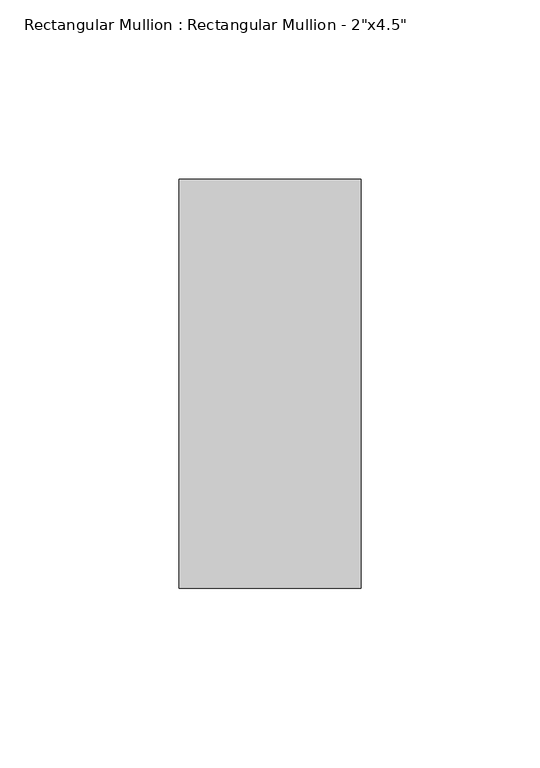
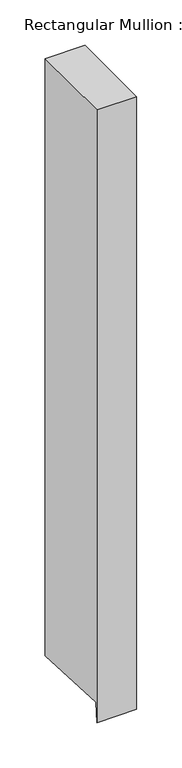
"""IFC4 building model written with IfcOpenShell, lengths in millimetres: member geometry."""

from ifc_helpers import new_model, si_unit, frame, origin, place, context, project, spatial, polyline, outline, extrude, source, transform, mapped, element, save


def member_3871f2b2(model_context):
    return source(origin(), model_context, "Body", "SweptSolid", [
        extrude(outline(polyline([(-57.15, 0.0), (57.15, 0.0), (57.15, -804.9852222), (-55.6346001, -798.6462141), (-57.15, -825.6084403), (-57.15, 0.0)])), frame((-50.8, 0.0, 0.0), z_axis=(1.0, 0.0, 0.0), x_axis=(0.0, 1.0, 0.0)), (0.0, 0.0, 1.0), 50.8),
    ])


if __name__ == "__main__":
    model = new_model("IFC4")
    model_context = context("Model", 3, world=origin())
    ifc_project = project(units=[si_unit("LENGTHUNIT", "METRE", prefix="MILLI")], contexts=[model_context])
    site = spatial("IfcSite", under=ifc_project)
    building = spatial("IfcBuilding", under=site)
    placement = place(None, origin())
    member_shape = member_3871f2b2(model_context)
    element("IfcMember", 1, ObjectType="Rectangular Mullion : Rectangular Mullion - 2\"x4.5\"", at=placement, inside=building, context=model_context, shape_type="MappedRepresentation", body=[
        mapped(member_shape, transform((0.0, 0.0, 0.0), x_axis=(1.0, 0.0, 0.0), y_axis=(0.0, 1.0, 0.0), z_axis=(0.0, 0.0, 1.0))),
    ])
    save(model, "model.ifc")
